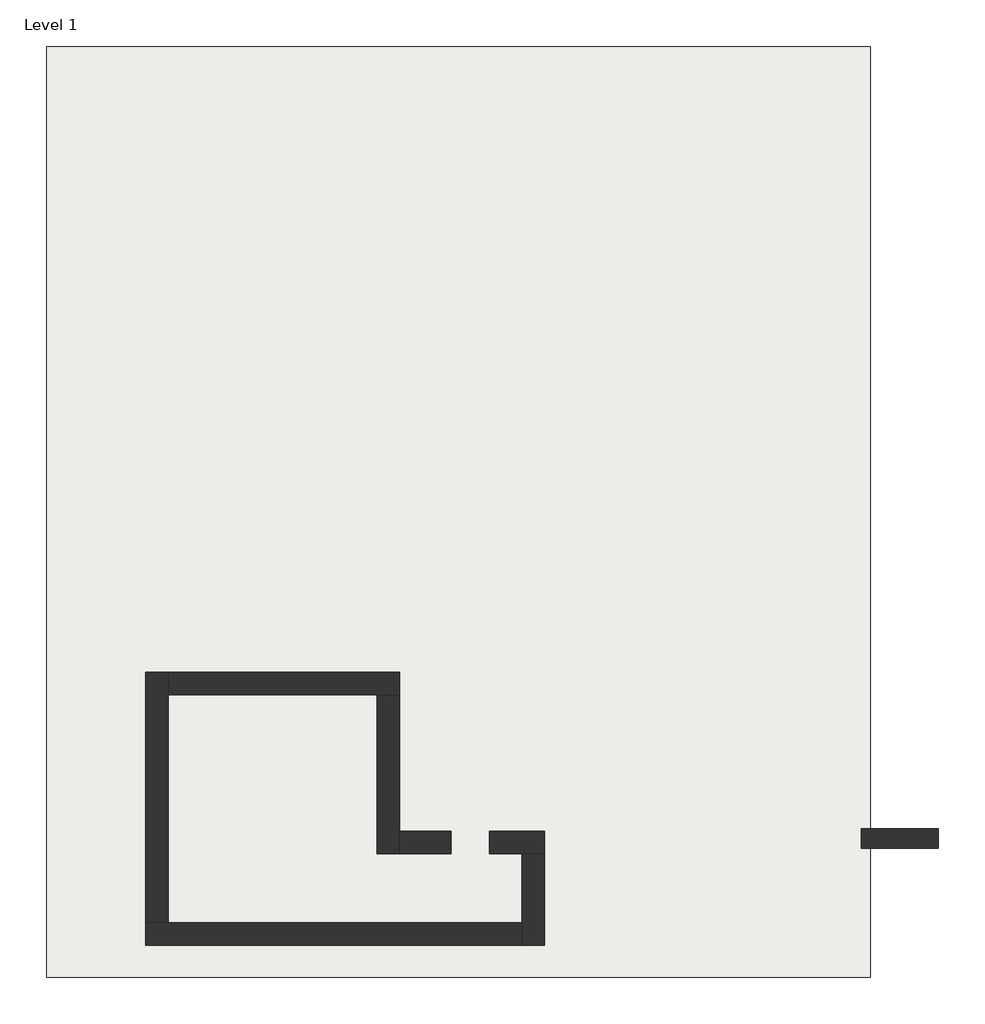
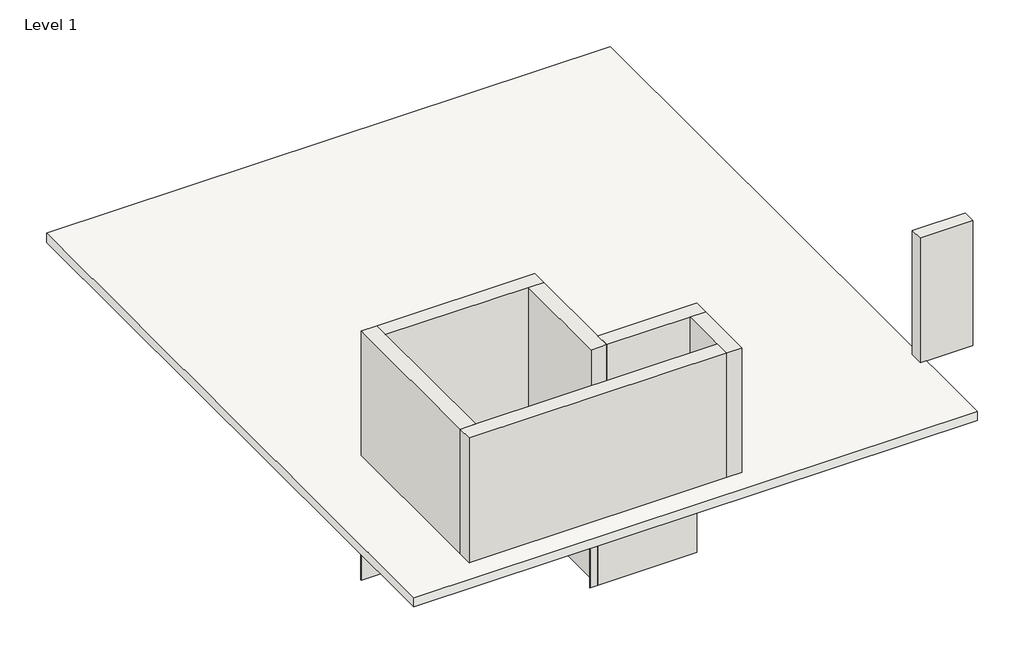
# One storey: 10 walls, 1 slab.
"""IFC4 building model written with IfcOpenShell, lengths in millimetres."""

from ifc_helpers import new_model, si_unit, frame, origin, origin_with_axes, place, context, project, spatial, polyline, outline, extrude, faceted_brep, element, save

model = new_model("IFC4")

# Units and contexts
model_context = context("Model", 3, world=origin())
ifc_project = project(units=[si_unit("LENGTHUNIT", "METRE", prefix="MILLI")], contexts=[model_context])

# Site, building, storey
site = spatial("IfcSite", under=ifc_project)
building = spatial("IfcBuilding", under=site)
storey = spatial("IfcBuildingStorey", under=building, Name="Level 1", Elevation=0.0)

# Slab
placement = place(None, origin())
element("IfcSlab", 1, ObjectType="Floor 1", at=placement, inside=storey, context=model_context, shape_type="SweptSolid", body=[
    extrude(outline(polyline([(3215.3522101, 17238.5317143), (3215.3522101, -2058.168148), (-13873.8399574, -2058.168148), (-13873.8399574, 17238.5317143), (3215.3522101, 17238.5317143)])), frame((0.0, 0.0, -300.0), z_axis=(0.0, 0.0, 1.0), x_axis=(1.0, 0.0, 0.0)), (0.0, 0.0, 1.0), 300.0),
])

# Walls
element("IfcWall", 2, at=placement, inside=storey, context=model_context, shape_type="Brep", body=[
    faceted_brep([(-6516.7477899, 4306.4317143, -4003.0), (-11818.1477899, 4306.4317143, -4003.0), (-11818.1477899, 4306.4317143, -300.0), (-6516.7477899, 4306.4317143, -300.0), (-6516.7477899, 4272.0317143, -4003.0), (-6516.7477899, 4272.0317143, -300.0), (-6551.1477899, 4272.0317143, -300.0), (-11818.1477899, 4272.0317143, -300.0), (-11818.1477899, 4272.0317143, -4003.0), (-6551.1477899, 4272.0317143, -4003.0)], [[[0, 1, 2, 3]], [[4, 5, 6, 7, 8, 9]], [[1, 0, 4, 9, 8]], [[2, 1, 8, 7]], [[3, 2, 7, 6, 5]], [[0, 3, 5, 4]]]),
])
element("IfcWall", 3, at=placement, inside=storey, context=model_context, shape_type="SweptSolid", body=[
    extrude(outline(polyline([(-6551.1477899, 972.0317143), (-6551.1477899, 4272.0317143), (-6516.7477899, 4272.0317143), (-6516.7477899, 972.0317143), (-6551.1477899, 972.0317143)])), frame((0.0, 0.0, -4003.0), z_axis=(0.0, 0.0, 1.0), x_axis=(1.0, 0.0, 0.0)), (0.0, 0.0, 1.0), 3703.0),
])
element("IfcWall", 4, at=placement, inside=storey, context=model_context, shape_type="SweptSolid", body=[
    extrude(outline(polyline([(-6551.1477899, 978.8317143), (-6551.1477899, 1002.8317143), (-3551.1477899, 1002.8317143), (-3551.1477899, 978.8317143), (-6551.1477899, 978.8317143)])), frame((0.0, 0.0, -4003.0), z_axis=(0.0, 0.0, 1.0), x_axis=(1.0, 0.0, 0.0)), (0.0, 0.0, 1.0), 3703.0),
    extrude(outline(polyline([(-3551.1477899, 972.0317143), (-6781.1477899, 972.0317143), (-6781.1477899, 972.8317143), (-3551.1477899, 972.8317143), (-3551.1477899, 972.0317143)])), frame((0.0, 0.0, -4003.0), z_axis=(0.0, 0.0, 1.0), x_axis=(1.0, 0.0, 0.0)), (0.0, 0.0, 1.0), 3703.0),
    extrude(outline(polyline([(-6551.1477899, 1006.4317143), (-3551.1477899, 1006.4317143), (-3551.1477899, 1005.6317143), (-6551.1477899, 1005.6317143), (-6551.1477899, 1006.4317143)])), frame((0.0, 0.0, -4003.0), z_axis=(0.0, 0.0, 1.0), x_axis=(1.0, 0.0, 0.0)), (0.0, 0.0, 1.0), 3703.0),
    extrude(outline(polyline([(-6551.1477899, 1004.8317143), (-6551.1477899, 1005.6317143), (-3551.1477899, 1005.6317143), (-3551.1477899, 1004.8317143), (-6551.1477899, 1004.8317143)])), frame((0.0, 0.0, -4003.0), z_axis=(0.0, 0.0, 1.0), x_axis=(1.0, 0.0, 0.0)), (0.0, 0.0, 1.0), 3703.0),
    extrude(outline(polyline([(-6551.1477899, 1002.8317143), (-6551.1477899, 1004.8317143), (-3551.1477899, 1004.8317143), (-3551.1477899, 1002.8317143), (-6551.1477899, 1002.8317143)])), frame((0.0, 0.0, -4003.0), z_axis=(0.0, 0.0, 1.0), x_axis=(1.0, 0.0, 0.0)), (0.0, 0.0, 1.0), 3703.0),
    extrude(outline(polyline([(-6781.1477899, 974.8317143), (-6781.1477899, 978.8317143), (-3551.1477899, 978.8317143), (-3551.1477899, 974.8317143), (-6781.1477899, 974.8317143)])), frame((0.0, 0.0, -4003.0), z_axis=(0.0, 0.0, 1.0), x_axis=(1.0, 0.0, 0.0)), (0.0, 0.0, 1.0), 3703.0),
    extrude(outline(polyline([(-6781.1477899, 972.8317143), (-6781.1477899, 974.8317143), (-3551.1477899, 974.8317143), (-3551.1477899, 972.8317143), (-6781.1477899, 972.8317143)])), frame((0.0, 0.0, -4003.0), z_axis=(0.0, 0.0, 1.0), x_axis=(1.0, 0.0, 0.0)), (0.0, 0.0, 1.0), 3703.0),
])
element("IfcWall", 5, ObjectType="Wall 1", at=placement, inside=storey, context=model_context, shape_type="SweptSolid", body=[
    extrude(outline(polyline([(3021.3542629, 1026.2169874), (4621.3542629, 1026.2169874), (4621.3542629, 616.2169874), (3021.3542629, 616.2169874), (3021.3542629, 1026.2169874)])), origin_with_axes(), (0.0, 0.0, 1.0), 4000.0),
])
element("IfcWall", 6, ObjectType="Wall 2", at=placement, inside=storey, context=model_context, shape_type="Brep", body=[
    faceted_brep([(-11351.1477899, -927.9682857, 0.0), (-11351.1477899, 3805.0317143, 0.0), (-11351.1477899, 4272.0317143, 0.0), (-11351.1477899, 4272.0317143, 4000.0), (-11351.1477899, 3805.0317143, 4000.0), (-11351.1477899, -927.9682857, 4000.0), (-11818.1477899, -927.9682857, 0.0), (-11818.1477899, -927.9682857, 4000.0), (-11818.1477899, 4272.0317143, 4000.0), (-11818.1477899, 4272.0317143, 0.0)], [[[0, 1, 2, 3, 4, 5]], [[6, 7, 8, 9]], [[2, 1, 0, 6, 9]], [[5, 4, 3, 8, 7]], [[3, 2, 9, 8]], [[0, 5, 7, 6]]]),
])
element("IfcWall", 7, ObjectType="Wall 2", at=placement, inside=storey, context=model_context, shape_type="Brep", body=[
    faceted_brep([(-11351.1477899, 3805.0317143, 0.0), (-7018.1477899, 3805.0317143, 0.0), (-6551.1477899, 3805.0317143, 0.0), (-6551.1477899, 3805.0317143, 4000.0), (-7018.1477899, 3805.0317143, 4000.0), (-11351.1477899, 3805.0317143, 4000.0), (-11351.1477899, 4272.0317143, 0.0), (-11351.1477899, 4272.0317143, 4000.0), (-6551.1477899, 4272.0317143, 4000.0), (-6551.1477899, 4272.0317143, 0.0)], [[[0, 1, 2, 3, 4, 5]], [[6, 7, 8, 9]], [[2, 1, 0, 6, 9]], [[5, 4, 3, 8, 7]], [[0, 5, 7, 6]], [[3, 2, 9, 8]]]),
])
element("IfcWall", 8, ObjectType="Wall 2", at=placement, inside=storey, context=model_context, shape_type="Brep", body=[
    faceted_brep([(-7018.1477899, 3805.0317143, 0.0), (-7018.1477899, 505.0317143, 0.0), (-7018.1477899, 505.0317143, 4000.0), (-7018.1477899, 3805.0317143, 4000.0), (-6551.1477899, 3805.0317143, 0.0), (-6551.1477899, 3805.0317143, 4000.0), (-6551.1477899, 972.0317143, 4000.0), (-6551.1477899, 505.0317143, 4000.0), (-6551.1477899, 505.0317143, 0.0), (-6551.1477899, 972.0317143, 0.0)], [[[0, 1, 2, 3]], [[4, 5, 6, 7, 8, 9]], [[1, 0, 4, 9, 8]], [[3, 2, 7, 6, 5]], [[0, 3, 5, 4]], [[2, 1, 8, 7]]]),
])
element("IfcWall", 9, ObjectType="Wall 2", at=placement, inside=storey, context=model_context, shape_type="Brep", body=[
    faceted_brep([(-3551.1477899, 505.0317143, 4000.0), (-4018.1477899, 505.0317143, 4000.0), (-6551.1477899, 505.0317143, 4000.0), (-6551.1477899, 505.0317143, 0.0), (-5484.6477899, 505.0317143, 0.0), (-5484.6477899, 505.0317143, 2097.0), (-4684.6477899, 505.0317143, 2097.0), (-4684.6477899, 505.0317143, 0.0), (-4018.1477899, 505.0317143, 0.0), (-3551.1477899, 505.0317143, 0.0), (-6551.1477899, 972.0317143, 4000.0), (-3551.1477899, 972.0317143, 4000.0), (-3551.1477899, 972.0317143, 0.0), (-4684.6477899, 972.0317143, 0.0), (-4684.6477899, 972.0317143, 2097.0), (-5484.6477899, 972.0317143, 2097.0), (-5484.6477899, 972.0317143, 0.0), (-6551.1477899, 972.0317143, 0.0)], [[[0, 1, 2, 3, 4, 5, 6, 7, 8, 9]], [[10, 11, 12, 13, 14, 15, 16, 17]], [[3, 17, 16, 4]], [[12, 9, 8, 7, 13]], [[2, 1, 0, 11, 10]], [[3, 2, 10, 17]], [[0, 9, 12, 11]], [[6, 14, 13, 7]], [[14, 6, 5, 15]], [[15, 5, 4, 16]]]),
])
element("IfcWall", 10, ObjectType="Wall 2", at=placement, inside=storey, context=model_context, shape_type="Brep", body=[
    faceted_brep([(-4018.1477899, 505.0317143, 0.0), (-4018.1477899, -927.9682857, 0.0), (-4018.1477899, -1394.9682857, 0.0), (-4018.1477899, -1394.9682857, 4000.0), (-4018.1477899, -927.9682857, 4000.0), (-4018.1477899, 505.0317143, 4000.0), (-3551.1477899, 505.0317143, 0.0), (-3551.1477899, 505.0317143, 4000.0), (-3551.1477899, -1394.9682857, 4000.0), (-3551.1477899, -1394.9682857, 0.0)], [[[0, 1, 2, 3, 4, 5]], [[6, 7, 8, 9]], [[2, 1, 0, 6, 9]], [[5, 4, 3, 8, 7]], [[0, 5, 7, 6]], [[3, 2, 9, 8]]]),
])
element("IfcWall", 11, ObjectType="Wall 2", at=placement, inside=storey, context=model_context, shape_type="Brep", body=[
    faceted_brep([(-4018.1477899, -927.9682857, 0.0), (-11351.1477899, -927.9682857, 0.0), (-11818.1477899, -927.9682857, 0.0), (-11818.1477899, -927.9682857, 4000.0), (-11351.1477899, -927.9682857, 4000.0), (-4018.1477899, -927.9682857, 4000.0), (-4018.1477899, -1394.9682857, 0.0), (-4018.1477899, -1394.9682857, 4000.0), (-11818.1477899, -1394.9682857, 4000.0), (-11818.1477899, -1394.9682857, 0.0)], [[[0, 1, 2, 3, 4, 5]], [[6, 7, 8, 9]], [[2, 1, 0, 6, 9]], [[5, 4, 3, 8, 7]], [[0, 5, 7, 6]], [[3, 2, 9, 8]]]),
])

save(model, "model.ifc")
